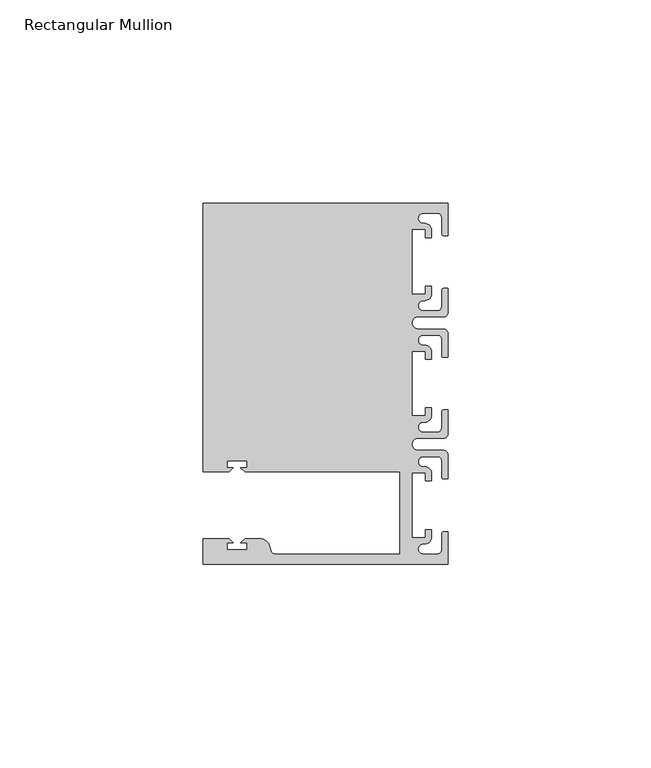
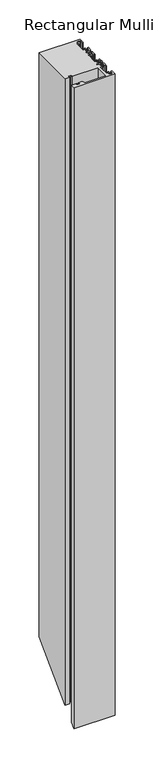
"""IFC4 building model written with IfcOpenShell, lengths in millimetres: member geometry, Rectangular Mullion."""

from ifc_helpers import new_model, si_unit, frame, origin, place, context, project, spatial, polyline, circle_curve, ellipse_curve, source, transform, mapped, element, save
from ifc_brep_helpers import plane_surface, cylinder_surface, revolved_surface, advanced_brep


def rectangular_mullion_d6c92e36(model_context):
    return source(origin(), model_context, "Body", "AdvancedBrep", [
        advanced_brep(
        [(0.0, -44.45, 0.0), (0.0, -36.4500318, 0.0), (-1.0, -36.4500318, 0.0), (-1.5, -36.9500318, 0.0), (-1.5, -40.95, 0.0), (-2.5, -41.95, 0.0), (-6.0499986, -41.95, 0.0), (-5.9027291, -39.4587029, 0.0), (-4.0000054, -37.7499972, 0.0), (-4.0000054, -35.9500318, 0.0), (-5.5, -35.9500318, 0.0), (-5.5, -37.9499972, 0.0), (-8.8585786, -37.9499972, 0.0), (-8.8585786, -21.9499956, 0.0), (-5.5, -21.9499956, 0.0), (-5.5, -23.9499611, 0.0), (-3.9999946, -23.9499611, 0.0), (-3.9999946, -22.0272972, 0.0), (-6.0499986, -20.4499956, 0.0), (-6.0499986, -17.9499929, 0.0), (-2.5, -17.9499929, 0.0), (-1.5, -18.9499929, 0.0), (-1.5, -22.9499611, 0.0), (-1.0, -23.4499611, 0.0), (0.0, -23.4499611, 0.0), (0.0, -17.4499929, 0.0), (-1.0, -16.4499929, 0.0), (-7.3, -16.4499929, 0.0), (-7.3046244, -13.45, 0.0), (-1.0, -13.45, 0.0), (0.0, -12.45, 0.0), (0.0, -6.4500354, 0.0), (-0.9999964, -6.4500354, 0.0), (-1.4999964, -6.9500354, 0.0), (-1.4999964, -10.95, 0.0), (-2.4999964, -11.95, 0.0), (-6.0499986, -11.95, 0.0), (-6.0499986, -9.4499972, 0.0), (-4.0000054, -7.7499972, 0.0), (-4.0000054, -5.9500318, 0.0), (-5.5, -5.9500318, 0.0), (-5.5, -7.9499972, 0.0), (-8.8, -7.9499972, 0.0), (-8.8, 7.9499972, 0.0), (-5.5, 7.9499972, 0.0), (-5.5, 5.9500318, 0.0), (-4.0000054, 5.9500318, 0.0), (-4.0000054, 7.7499972, 0.0), (-6.0499986, 9.4499972, 0.0), (-6.0499986, 11.95, 0.0), (-2.4999964, 11.95, 0.0), (-1.4999964, 10.95, 0.0), (-1.4999964, 6.9500354, 0.0), (-0.9999964, 6.4500354, 0.0), (0.0, 6.4500354, 0.0), (0.0, 12.45, 0.0), (-1.0, 13.45, 0.0), (-7.3046244, 13.45, 0.0), (-7.3, 16.4499929, 0.0), (-1.0, 16.4499929, 0.0), (0.0, 17.4499929, 0.0), (0.0, 23.4499611, 0.0), (-1.0, 23.4499611, 0.0), (-1.5, 22.9499611, 0.0), (-1.5, 18.9499929, 0.0), (-2.5, 17.9499929, 0.0), (-6.0499986, 17.9499929, 0.0), (-6.0499986, 20.4499956, 0.0), (-3.9999946, 22.0272972, 0.0), (-3.9999946, 23.9499611, 0.0), (-5.5, 23.9499611, 0.0), (-5.5, 21.9499956, 0.0), (-8.8585786, 21.9499956, 0.0), (-8.8585786, 37.9499972, 0.0), (-5.5, 37.9499972, 0.0), (-5.5, 35.9500318, 0.0), (-4.0000054, 35.9500318, 0.0), (-4.0000054, 37.7499972, 0.0), (-5.9027291, 39.4587029, 0.0), (-6.0499986, 41.95, 0.0), (-2.5, 41.95, 0.0), (-1.5, 40.95, 0.0), (-1.5, 36.9500318, 0.0), (-1.0, 36.4500318, 0.0), (0.0, 36.4500318, 0.0), (0.0, 44.45, 0.0), (-60.325, 44.45, 0.0), (-60.325, -21.749999, 0.0), (-53.8507562, -21.749999, 0.0), (-52.8507405, -20.7499834, 0.0), (-54.4250134, -20.7499834, 0.0), (-54.4250134, -18.949936, 0.0), (-49.4250186, -18.949936, 0.0), (-49.4250186, -20.7499834, 0.0), (-50.999256, -20.7499834, 0.0), (-49.9992434, -21.7499959, 0.0), (-11.8, -21.7499959, 0.0), (-11.8, -41.95, 0.0), (-42.6099329, -41.95, 0.0), (-43.5758588, -41.2088192, 0.0), (-43.8989707, -40.002949, 0.0), (-46.3137853, -38.1499966, 0.0), (-49.9992503, -38.1499966, 0.0), (-50.999256, -39.1500023, 0.0), (-49.4249831, -39.1500023, 0.0), (-49.4249831, -40.9498819, 0.0), (-54.4249778, -40.9498819, 0.0), (-54.4249778, -39.1500023, 0.0), (-52.8507405, -39.1500023, 0.0), (-53.8507531, -38.1499897, 0.0), (-60.3249977, -38.1499897, 0.0), (-60.3249977, -44.45, 0.0), (0.0, -44.45, -996.95), (0.0, -36.4500318, -988.9500318), (-1.0, -36.4500318, -988.9500318), (-1.5, -36.9500318, -989.4500318), (-1.5, -40.95, -993.45), (-2.5, -41.95, -994.45), (-6.0499986, -41.95, -994.45), (-5.9027291, -39.4587029, -991.9587029), (-4.0000054, -37.7499972, -990.2499972), (-4.0000054, -35.9500318, -988.4500318), (-5.5, -35.9500318, -988.4500318), (-5.5, -37.9499972, -990.4499972), (-8.8585786, -37.9499972, -990.4499972), (-8.8585786, -21.9499956, -974.4499956), (-5.5, -21.9499956, -974.4499956), (-5.5, -23.9499611, -976.4499611), (-3.9999946, -23.9499611, -976.4499611), (-3.9999946, -22.0272972, -974.5272972), (-6.0499986, -20.4499956, -972.9499956), (-6.0499986, -17.9499929, -970.4499929), (-2.5, -17.9499929, -970.4499929), (-1.5, -18.9499929, -971.4499929), (-1.5, -22.9499611, -975.4499611), (-1.0, -23.4499611, -975.9499611), (0.0, -23.4499611, -975.9499611), (0.0, -17.4499929, -969.9499929), (-1.0, -16.4499929, -968.9499929), (-7.3, -16.4499929, -968.9499929), (-7.3046244, -13.45, -965.95), (-1.0, -13.45, -965.95), (0.0, -12.45, -964.95), (0.0, -6.4500354, -958.9500354), (-0.9999964, -6.4500354, -958.9500354), (-1.4999964, -6.9500354, -959.4500354), (-1.4999964, -10.95, -963.45), (-2.4999964, -11.95, -964.45), (-6.0499986, -11.95, -964.45), (-6.0499986, -9.4499972, -961.9499972), (-4.0000054, -7.7499972, -960.2499972), (-4.0000054, -5.9500318, -958.4500318), (-5.5, -5.9500318, -958.4500318), (-5.5, -7.9499972, -960.4499972), (-8.8, -7.9499972, -960.4499972), (-8.8, 7.9499972, -944.5500028), (-5.5, 7.9499972, -944.5500028), (-5.5, 5.9500318, -946.5499682), (-4.0000054, 5.9500318, -946.5499682), (-4.0000054, 7.7499972, -944.7500028), (-6.0499986, 9.4499972, -943.0500028), (-6.0499986, 11.95, -940.55), (-2.4999964, 11.95, -940.55), (-1.4999964, 10.95, -941.55), (-1.4999964, 6.9500354, -945.5499646), (-0.9999964, 6.4500354, -946.0499646), (0.0, 6.4500354, -946.0499646), (0.0, 12.45, -940.05), (-1.0, 13.45, -939.05), (-7.3046244, 13.45, -939.05), (-7.3, 16.4499929, -936.0500071), (-1.0, 16.4499929, -936.0500071), (0.0, 17.4499929, -935.0500071), (0.0, 23.4499611, -929.0500389), (-1.0, 23.4499611, -929.0500389), (-1.5, 22.9499611, -929.5500389), (-1.5, 18.9499929, -933.5500071), (-2.5, 17.9499929, -934.5500071), (-6.0499986, 17.9499929, -934.5500071), (-6.0499986, 20.4499956, -932.0500044), (-3.9999946, 22.0272972, -930.4727028), (-3.9999946, 23.9499611, -928.5500389), (-5.5, 23.9499611, -928.5500389), (-5.5, 21.9499956, -930.5500044), (-8.8585786, 21.9499956, -930.5500044), (-8.8585786, 37.9499972, -914.5500028), (-5.5, 37.9499972, -914.5500028), (-5.5, 35.9500318, -916.5499682), (-4.0000054, 35.9500318, -916.5499682), (-4.0000054, 37.7499972, -914.7500028), (-5.9027291, 39.4587029, -913.0412971), (-6.0499986, 41.95, -910.55), (-2.5, 41.95, -910.55), (-1.5, 40.95, -911.55), (-1.5, 36.9500318, -915.5499682), (-1.0, 36.4500318, -916.0499682), (0.0, 36.4500318, -916.0499682), (0.0, 44.45, -908.05), (-60.325, 44.45, -908.05), (-60.325, -21.749999, -974.249999), (-53.8507562, -21.749999, -974.249999), (-52.8507405, -20.7499834, -973.2499834), (-54.4250134, -20.7499834, -973.2499834), (-54.4250134, -18.949936, -971.449936), (-49.4250186, -18.949936, -971.449936), (-49.4250186, -20.7499834, -973.2499834), (-50.999256, -20.7499834, -973.2499834), (-49.9992434, -21.7499959, -974.2499959), (-11.8, -21.7499959, -974.2499959), (-11.8, -41.95, -994.45), (-42.6099329, -41.95, -994.4500001), (-43.5758588, -41.2088192, -993.7088192), (-43.8989707, -40.002949, -992.502949), (-46.3137853, -38.1499966, -990.6499966), (-49.9992503, -38.1499966, -990.6499966), (-50.999256, -39.1500023, -991.6500023), (-49.4249831, -39.1500023, -991.6500023), (-49.4249831, -40.9498819, -993.4498819), (-54.4249778, -40.9498819, -993.4498819), (-54.4249778, -39.1500023, -991.6500023), (-52.8507405, -39.1500023, -991.6500023), (-53.8507531, -38.1499897, -990.6499897), (-60.3249977, -38.1499897, -990.6499897), (-60.3249977, -44.45, -996.95)],
        [
            (0, 1),
            (1, 2),
            (2, 3, circle_curve(frame((-1.0, -36.9500318, 0.0), z_axis=(0.0, 0.0, 1.0), x_axis=(0.0, 1.0, 0.0)), 0.5)),
            (3, 4),
            (4, 5, circle_curve(frame((-2.5, -40.95, 0.0), z_axis=(0.0, 0.0, -1.0), x_axis=(0.0, 1.0, 0.0)), 1.0)),
            (5, 6),
            (6, 7, circle_curve(frame((-6.0499986, -40.6999986, 0.0), z_axis=(0.0, 0.0, -1.0), x_axis=(0.0, 1.0, 0.0)), 1.2500014)),
            (7, 8, circle_curve(frame((-5.7186029, -37.7499972, 0.0), z_axis=(0.0, 0.0, 1.0), x_axis=(1.0, 0.0, 0.0)), 1.7185975)),
            (8, 9),
            (9, 10),
            (10, 11),
            (11, 12),
            (12, 13),
            (13, 14),
            (14, 15),
            (15, 16),
            (16, 17),
            (17, 18, circle_curve(frame((-5.7543344, -22.1865598, 0.0), z_axis=(0.0, 0.0, 1.0), x_axis=(1.0, 0.0, 0.0)), 1.761554)),
            (18, 19, circle_curve(frame((-6.0499986, -19.1999942, 0.0), z_axis=(0.0, 0.0, -1.0), x_axis=(0.0, 1.0, 0.0)), 1.2500014)),
            (19, 20),
            (20, 21, circle_curve(frame((-2.5, -18.9499929, 0.0), z_axis=(0.0, 0.0, -1.0), x_axis=(0.0, 1.0, 0.0)), 1.0)),
            (21, 22),
            (22, 23, circle_curve(frame((-1.0, -22.9499611, 0.0), z_axis=(0.0, 0.0, 1.0), x_axis=(0.0, 1.0, 0.0)), 0.5)),
            (23, 24),
            (24, 25),
            (25, 26, circle_curve(frame((-1.0, -17.4499929, 0.0), z_axis=(0.0, 0.0, 1.0), x_axis=(0.0, 1.0, 0.0)), 1.0)),
            (26, 27),
            (27, 28, circle_curve(frame((-7.3, -14.9499929, 0.0), z_axis=(0.0, 0.0, -1.0), x_axis=(0.0, 1.0, 0.0)), 1.5)),
            (28, 29),
            (29, 30, circle_curve(frame((-1.0, -12.45, 0.0), z_axis=(0.0, 0.0, 1.0), x_axis=(0.0, 1.0, 0.0)), 1.0)),
            (30, 31),
            (31, 32),
            (32, 33, circle_curve(frame((-0.9999964, -6.9500354, 0.0), z_axis=(0.0, 0.0, 1.0), x_axis=(0.0, 1.0, 0.0)), 0.5)),
            (33, 34),
            (34, 35, circle_curve(frame((-2.4999964, -10.95, 0.0), z_axis=(0.0, 0.0, -1.0), x_axis=(0.0, 1.0, 0.0)), 1.0)),
            (35, 36),
            (36, 37, circle_curve(frame((-6.0499986, -10.6999986, 0.0), z_axis=(0.0, 0.0, -1.0), x_axis=(0.0, 1.0, 0.0)), 1.2500014)),
            (37, 38, circle_curve(frame((-5.7298824, -7.7499972, 0.0), z_axis=(0.0, 0.0, 1.0), x_axis=(1.0, 0.0, 0.0)), 1.729877)),
            (38, 39),
            (39, 40),
            (40, 41),
            (41, 42),
            (42, 43),
            (43, 44),
            (44, 45),
            (45, 46),
            (46, 47),
            (47, 48, circle_curve(frame((-5.7298824, 7.7499972, 0.0), z_axis=(0.0, 0.0, 1.0), x_axis=(1.0, 0.0, 0.0)), 1.729877)),
            (48, 49, circle_curve(frame((-6.0499986, 10.6999986, 0.0), z_axis=(0.0, 0.0, -1.0), x_axis=(0.0, -1.0, 0.0)), 1.2500014)),
            (49, 50),
            (50, 51, circle_curve(frame((-2.4999964, 10.95, 0.0), z_axis=(0.0, 0.0, -1.0), x_axis=(0.0, -1.0, 0.0)), 1.0)),
            (51, 52),
            (52, 53, circle_curve(frame((-0.9999964, 6.9500354, 0.0), z_axis=(0.0, 0.0, 1.0), x_axis=(0.0, -1.0, 0.0)), 0.5)),
            (53, 54),
            (54, 55),
            (55, 56, circle_curve(frame((-1.0, 12.45, 0.0), z_axis=(0.0, 0.0, 1.0), x_axis=(0.0, -1.0, 0.0)), 1.0)),
            (56, 57),
            (57, 58, circle_curve(frame((-7.3, 14.9499929, 0.0), z_axis=(0.0, 0.0, -1.0), x_axis=(0.0, -1.0, 0.0)), 1.5)),
            (58, 59),
            (59, 60, circle_curve(frame((-1.0, 17.4499929, 0.0), z_axis=(0.0, 0.0, 1.0), x_axis=(0.0, -1.0, 0.0)), 1.0)),
            (60, 61),
            (61, 62),
            (62, 63, circle_curve(frame((-1.0, 22.9499611, 0.0), z_axis=(0.0, 0.0, 1.0), x_axis=(0.0, -1.0, 0.0)), 0.5)),
            (63, 64),
            (64, 65, circle_curve(frame((-2.5, 18.9499929, 0.0), z_axis=(0.0, 0.0, -1.0), x_axis=(0.0, -1.0, 0.0)), 1.0)),
            (65, 66),
            (66, 67, circle_curve(frame((-6.0499986, 19.1999942, 0.0), z_axis=(0.0, 0.0, -1.0), x_axis=(0.0, -1.0, 0.0)), 1.2500014)),
            (67, 68, circle_curve(frame((-5.7543344, 22.1865598, 0.0), z_axis=(0.0, 0.0, 1.0), x_axis=(1.0, 0.0, 0.0)), 1.761554)),
            (68, 69),
            (69, 70),
            (70, 71),
            (71, 72),
            (72, 73),
            (73, 74),
            (74, 75),
            (75, 76),
            (76, 77),
            (77, 78, circle_curve(frame((-5.7186029, 37.7499972, 0.0), z_axis=(0.0, 0.0, 1.0), x_axis=(1.0, 0.0, 0.0)), 1.7185975)),
            (78, 79, circle_curve(frame((-6.0499986, 40.6999986, 0.0), z_axis=(0.0, 0.0, -1.0), x_axis=(0.0, -1.0, 0.0)), 1.2500014)),
            (79, 80),
            (80, 81, circle_curve(frame((-2.5, 40.95, 0.0), z_axis=(0.0, 0.0, -1.0), x_axis=(0.0, -1.0, 0.0)), 1.0)),
            (81, 82),
            (82, 83, circle_curve(frame((-1.0, 36.9500318, 0.0), z_axis=(0.0, 0.0, 1.0), x_axis=(0.0, -1.0, 0.0)), 0.5)),
            (83, 84),
            (84, 85),
            (85, 86),
            (86, 87),
            (87, 88),
            (88, 89),
            (89, 90),
            (90, 91),
            (91, 92),
            (92, 93),
            (93, 94),
            (94, 95),
            (95, 96),
            (96, 97),
            (97, 98),
            (98, 99, circle_curve(frame((-42.6099329, -40.9500001, 0.0), z_axis=(0.0, 0.0, -1.0), x_axis=(0.0, 1.0, 0.0)), 1.0)),
            (99, 100),
            (100, 101, circle_curve(frame((-46.3137853, -40.6499966, 0.0), z_axis=(0.0, 0.0, 1.0), x_axis=(0.0, 1.0, 0.0)), 2.5)),
            (101, 102),
            (102, 103),
            (103, 104),
            (104, 105),
            (105, 106),
            (106, 107),
            (107, 108),
            (108, 109),
            (109, 110),
            (110, 111),
            (111, 0),
            (0, 112),
            (112, 113),
            (113, 1),
            (113, 114),
            (114, 2),
            (114, 115, ellipse_curve(frame((-1.0, -36.9500318, -989.4500318), z_axis=(0.0, -0.7071067811865476, 0.7071067811865476), x_axis=(0.0, 0.7071067811865476, 0.7071067811865474)), 0.7071068, 0.5)),
            (115, 3),
            (115, 116),
            (116, 4),
            (116, 117, ellipse_curve(frame((-2.5, -40.95, -993.45), z_axis=(0.0, 0.7071067811865476, -0.7071067811865476), x_axis=(0.0, -0.7071067811865476, -0.7071067811865474)), 1.4142136, 1.0)),
            (117, 5),
            (117, 118),
            (118, 6),
            (118, 119, ellipse_curve(frame((-6.0499986, -40.6999986, -993.1999986), z_axis=(0.0, 0.7071067811865476, -0.7071067811865476), x_axis=(0.0, -0.7071067811865476, -0.7071067811865474)), 1.7677689, 1.2500014)),
            (119, 7),
            (119, 120, ellipse_curve(frame((-5.7186029, -37.7499972, -990.2499972), z_axis=(0.0, -0.7071067811865476, 0.7071067811865476), x_axis=(0.0, 0.7071067811865476, 0.7071067811865474)), 2.4304639, 1.7185975)),
            (120, 8),
            (120, 121),
            (121, 9),
            (121, 122),
            (122, 10),
            (122, 123),
            (123, 11),
            (123, 124),
            (124, 12),
            (124, 125),
            (125, 13),
            (125, 126),
            (126, 14),
            (126, 127),
            (127, 15),
            (127, 128),
            (128, 16),
            (128, 129),
            (129, 17),
            (129, 130, ellipse_curve(frame((-5.7543344, -22.1865598, -974.6865598), z_axis=(0.0, -0.7071067811865476, 0.7071067811865476), x_axis=(0.0, 0.7071067811865476, 0.7071067811865474)), 2.4912135, 1.761554)),
            (130, 18),
            (130, 131, ellipse_curve(frame((-6.0499986, -19.1999942, -971.6999942), z_axis=(0.0, 0.7071067811865476, -0.7071067811865476), x_axis=(0.0, -0.7071067811865476, -0.7071067811865474)), 1.7677689, 1.2500014)),
            (131, 19),
            (131, 132),
            (132, 20),
            (132, 133, ellipse_curve(frame((-2.5, -18.9499929, -971.4499929), z_axis=(0.0, 0.7071067811865476, -0.7071067811865476), x_axis=(0.0, -0.7071067811865476, -0.7071067811865474)), 1.4142136, 1.0)),
            (133, 21),
            (133, 134),
            (134, 22),
            (134, 135, ellipse_curve(frame((-1.0, -22.9499611, -975.4499611), z_axis=(0.0, -0.7071067811865476, 0.7071067811865476), x_axis=(0.0, 0.7071067811865476, 0.7071067811865474)), 0.7071068, 0.5)),
            (135, 23),
            (135, 136),
            (136, 24),
            (136, 137),
            (137, 25),
            (137, 138, ellipse_curve(frame((-1.0, -17.4499929, -969.9499929), z_axis=(0.0, -0.7071067811865476, 0.7071067811865476), x_axis=(0.0, 0.7071067811865476, 0.7071067811865474)), 1.4142136, 1.0)),
            (138, 26),
            (138, 139),
            (139, 27),
            (139, 140, ellipse_curve(frame((-7.3, -14.9499929, -967.4499929), z_axis=(0.0, 0.7071067811865476, -0.7071067811865476), x_axis=(0.0, -0.7071067811865476, -0.7071067811865474)), 2.1213203, 1.5)),
            (140, 28),
            (140, 141),
            (141, 29),
            (141, 142, ellipse_curve(frame((-1.0, -12.45, -964.95), z_axis=(0.0, -0.7071067811865476, 0.7071067811865476), x_axis=(0.0, 0.7071067811865476, 0.7071067811865474)), 1.4142136, 1.0)),
            (142, 30),
            (142, 143),
            (143, 31),
            (143, 144),
            (144, 32),
            (144, 145, ellipse_curve(frame((-0.9999964, -6.9500354, -959.4500354), z_axis=(0.0, -0.7071067811865476, 0.7071067811865476), x_axis=(0.0, 0.7071067811865476, 0.7071067811865474)), 0.7071068, 0.5)),
            (145, 33),
            (145, 146),
            (146, 34),
            (146, 147, ellipse_curve(frame((-2.4999964, -10.95, -963.45), z_axis=(0.0, 0.7071067811865476, -0.7071067811865476), x_axis=(0.0, -0.7071067811865476, -0.7071067811865474)), 1.4142136, 1.0)),
            (147, 35),
            (147, 148),
            (148, 36),
            (148, 149, ellipse_curve(frame((-6.0499986, -10.6999986, -963.1999986), z_axis=(0.0, 0.7071067811865476, -0.7071067811865476), x_axis=(0.0, -0.7071067811865476, -0.7071067811865474)), 1.7677689, 1.2500014)),
            (149, 37),
            (149, 150, ellipse_curve(frame((-5.7298824, -7.7499972, -960.2499972), z_axis=(0.0, -0.7071067811865476, 0.7071067811865476), x_axis=(0.0, 0.7071067811865476, 0.7071067811865474)), 2.4464155, 1.729877)),
            (150, 38),
            (150, 151),
            (151, 39),
            (151, 152),
            (152, 40),
            (152, 153),
            (153, 41),
            (153, 154),
            (154, 42),
            (154, 155),
            (155, 43),
            (155, 156),
            (156, 44),
            (156, 157),
            (157, 45),
            (157, 158),
            (158, 46),
            (158, 159),
            (159, 47),
            (159, 160, ellipse_curve(frame((-5.7298824, 7.7499972, -944.7500028), z_axis=(0.0, -0.7071067811865476, 0.7071067811865476), x_axis=(0.0, 0.7071067811865476, 0.7071067811865474)), 2.4464155, 1.729877)),
            (160, 48),
            (160, 161, ellipse_curve(frame((-6.0499986, 10.6999986, -941.8000014), z_axis=(0.0, 0.7071067811865476, -0.7071067811865476), x_axis=(0.0, -0.7071067811865476, -0.7071067811865474)), 1.7677689, 1.2500014)),
            (161, 49),
            (161, 162),
            (162, 50),
            (162, 163, ellipse_curve(frame((-2.4999964, 10.95, -941.55), z_axis=(0.0, 0.7071067811865476, -0.7071067811865476), x_axis=(0.0, -0.7071067811865476, -0.7071067811865474)), 1.4142136, 1.0)),
            (163, 51),
            (163, 164),
            (164, 52),
            (164, 165, ellipse_curve(frame((-0.9999964, 6.9500354, -945.5499646), z_axis=(0.0, -0.7071067811865476, 0.7071067811865476), x_axis=(0.0, 0.7071067811865476, 0.7071067811865474)), 0.7071068, 0.5)),
            (165, 53),
            (165, 166),
            (166, 54),
            (166, 167),
            (167, 55),
            (167, 168, ellipse_curve(frame((-1.0, 12.45, -940.05), z_axis=(0.0, -0.7071067811865476, 0.7071067811865476), x_axis=(0.0, 0.7071067811865476, 0.7071067811865474)), 1.4142136, 1.0)),
            (168, 56),
            (168, 169),
            (169, 57),
            (169, 170, ellipse_curve(frame((-7.3, 14.9499929, -937.5500071), z_axis=(0.0, 0.7071067811865476, -0.7071067811865476), x_axis=(0.0, -0.7071067811865476, -0.7071067811865474)), 2.1213203, 1.5)),
            (170, 58),
            (170, 171),
            (171, 59),
            (171, 172, ellipse_curve(frame((-1.0, 17.4499929, -935.0500071), z_axis=(0.0, -0.7071067811865476, 0.7071067811865476), x_axis=(0.0, 0.7071067811865476, 0.7071067811865474)), 1.4142136, 1.0)),
            (172, 60),
            (172, 173),
            (173, 61),
            (173, 174),
            (174, 62),
            (174, 175, ellipse_curve(frame((-1.0, 22.9499611, -929.5500389), z_axis=(0.0, -0.7071067811865476, 0.7071067811865476), x_axis=(0.0, 0.7071067811865476, 0.7071067811865474)), 0.7071068, 0.5)),
            (175, 63),
            (175, 176),
            (176, 64),
            (176, 177, ellipse_curve(frame((-2.5, 18.9499929, -933.5500071), z_axis=(0.0, 0.7071067811865476, -0.7071067811865476), x_axis=(0.0, -0.7071067811865476, -0.7071067811865474)), 1.4142136, 1.0)),
            (177, 65),
            (177, 178),
            (178, 66),
            (178, 179, ellipse_curve(frame((-6.0499986, 19.1999942, -933.3000058), z_axis=(0.0, 0.7071067811865476, -0.7071067811865476), x_axis=(0.0, -0.7071067811865476, -0.7071067811865474)), 1.7677689, 1.2500014)),
            (179, 67),
            (179, 180, ellipse_curve(frame((-5.7543344, 22.1865598, -930.3134402), z_axis=(0.0, -0.7071067811865476, 0.7071067811865476), x_axis=(0.0, 0.7071067811865476, 0.7071067811865474)), 2.4912135, 1.761554)),
            (180, 68),
            (180, 181),
            (181, 69),
            (181, 182),
            (182, 70),
            (182, 183),
            (183, 71),
            (183, 184),
            (184, 72),
            (184, 185),
            (185, 73),
            (185, 186),
            (186, 74),
            (186, 187),
            (187, 75),
            (187, 188),
            (188, 76),
            (188, 189),
            (189, 77),
            (189, 190, ellipse_curve(frame((-5.7186029, 37.7499972, -914.7500028), z_axis=(0.0, -0.7071067811865476, 0.7071067811865476), x_axis=(0.0, 0.7071067811865476, 0.7071067811865474)), 2.4304639, 1.7185975)),
            (190, 78),
            (190, 191, ellipse_curve(frame((-6.0499986, 40.6999986, -911.8000014), z_axis=(0.0, 0.7071067811865476, -0.7071067811865476), x_axis=(0.0, -0.7071067811865476, -0.7071067811865474)), 1.7677689, 1.2500014)),
            (191, 79),
            (191, 192),
            (192, 80),
            (192, 193, ellipse_curve(frame((-2.5, 40.95, -911.55), z_axis=(0.0, 0.7071067811865476, -0.7071067811865476), x_axis=(0.0, -0.7071067811865476, -0.7071067811865474)), 1.4142136, 1.0)),
            (193, 81),
            (193, 194),
            (194, 82),
            (194, 195, ellipse_curve(frame((-1.0, 36.9500318, -915.5499682), z_axis=(0.0, -0.7071067811865476, 0.7071067811865476), x_axis=(0.0, 0.7071067811865476, 0.7071067811865474)), 0.7071068, 0.5)),
            (195, 83),
            (195, 196),
            (196, 84),
            (196, 197),
            (197, 85),
            (197, 198),
            (198, 86),
            (198, 199),
            (199, 87),
            (199, 200),
            (200, 88),
            (200, 201),
            (201, 89),
            (201, 202),
            (202, 90),
            (202, 203),
            (203, 91),
            (203, 204),
            (204, 92),
            (204, 205),
            (205, 93),
            (205, 206),
            (206, 94),
            (206, 207),
            (207, 95),
            (207, 208),
            (208, 96),
            (208, 209),
            (209, 97),
            (209, 210),
            (210, 98),
            (210, 211, ellipse_curve(frame((-42.6099329, -40.9500001, -993.4500001), z_axis=(0.0, 0.7071067811865476, -0.7071067811865476), x_axis=(0.0, -0.7071067811865476, -0.7071067811865474)), 1.4142136, 1.0)),
            (211, 99),
            (211, 212),
            (212, 100),
            (212, 213, ellipse_curve(frame((-46.3137853, -40.6499966, -993.1499966), z_axis=(0.0, -0.7071067811865476, 0.7071067811865476), x_axis=(0.0, 0.7071067811865476, 0.7071067811865474)), 3.5355339, 2.5)),
            (213, 101),
            (213, 214),
            (214, 102),
            (214, 215),
            (215, 103),
            (215, 216),
            (216, 104),
            (216, 217),
            (217, 105),
            (217, 218),
            (218, 106),
            (218, 219),
            (219, 107),
            (219, 220),
            (220, 108),
            (220, 221),
            (221, 109),
            (221, 222),
            (222, 110),
            (222, 223),
            (223, 111),
            (223, 112),
        ],
        [
            plane_surface(frame((0.0, -74.9326906, 0.0), z_axis=(0.0, 0.0, 1.0), x_axis=(-1.0, 0.0, 0.0))),
            plane_surface(frame((0.0, -44.45, 0.0), z_axis=(1.0, 0.0, 0.0), x_axis=(0.0, 0.0, -1.0))),
            plane_surface(frame((0.0, -36.4500318, 0.0), z_axis=(0.0, 1.0, 0.0), x_axis=(0.0, 0.0, -1.0))),
            cylinder_surface(frame((-1.0, -36.9500318, 0.0), z_axis=(0.0, 0.0, 1.0), x_axis=(0.0, 1.0, 0.0)), 0.5),
            plane_surface(frame((-1.5, -36.9500318, 0.0), z_axis=(-1.0, 0.0, 0.0), x_axis=(0.0, 0.0, -1.0))),
            revolved_surface(polyline([(-2.5, -39.95, -994.4500000266063), (-2.5, -39.95, 0.0)]), (-2.5, -40.95, 0.0), (0.0, 0.0, -1.0)),
            plane_surface(frame((-2.5, -41.95, 0.0), z_axis=(0.0, 1.0, 0.0), x_axis=(0.0, 0.0, -1.0))),
            revolved_surface(polyline([(-6.0499986, -39.4499972, -994.45), (-6.0499986, -39.4499972, 0.0)]), (-6.0499986, -40.6999986, 0.0), (0.0, 0.0, -1.0)),
            cylinder_surface(frame((-5.7186029, -37.7499972, 0.0), z_axis=(0.0, 0.0, 1.0), x_axis=(1.0, 0.0, 0.0)), 1.7185975),
            plane_surface(frame((-4.0000054, -37.7499972, 0.0), z_axis=(1.0, 0.0, 0.0), x_axis=(0.0, 0.0, -1.0))),
            plane_surface(frame((-4.0000054, -35.9500318, 0.0), z_axis=(0.0, 1.0, 0.0), x_axis=(0.0, 0.0, -1.0))),
            plane_surface(frame((-5.5, -35.9500318, 0.0), z_axis=(-1.0, 0.0, 0.0), x_axis=(0.0, 0.0, -1.0))),
            plane_surface(frame((-5.5, -37.9499972, 0.0), z_axis=(0.0, 1.0, 0.0), x_axis=(0.0, 0.0, -1.0))),
            plane_surface(frame((-8.8585786, -37.9499972, 0.0), z_axis=(1.0, 0.0, 0.0), x_axis=(0.0, 0.0, -1.0))),
            plane_surface(frame((-8.8585786, -21.9499956, 0.0), z_axis=(0.0, -1.0, 0.0), x_axis=(0.0, 0.0, -1.0))),
            plane_surface(frame((-5.5, -21.9499956, 0.0), z_axis=(-1.0, 0.0, 0.0), x_axis=(0.0, 0.0, -1.0))),
            plane_surface(frame((-5.5, -23.9499611, 0.0), z_axis=(0.0, -1.0, 0.0), x_axis=(0.0, 0.0, -1.0))),
            plane_surface(frame((-3.9999946, -23.9499611, 0.0), z_axis=(1.0, 0.0, 0.0), x_axis=(0.0, 0.0, -1.0))),
            cylinder_surface(frame((-5.7543344, -22.1865598, 0.0), z_axis=(0.0, 0.0, 1.0), x_axis=(1.0, 0.0, 0.0)), 1.761554),
            revolved_surface(polyline([(-6.0499986, -17.9499928, -972.9499956), (-6.0499986, -17.9499928, 0.0)]), (-6.0499986, -19.1999942, 0.0), (0.0, 0.0, -1.0)),
            plane_surface(frame((-6.0499986, -17.9499929, 0.0), z_axis=(0.0, -1.0, 0.0), x_axis=(0.0, 0.0, -1.0))),
            revolved_surface(polyline([(-2.5, -17.9499929, -972.4499929266062), (-2.5, -17.9499929, 0.0)]), (-2.5, -18.9499929, 0.0), (0.0, 0.0, -1.0)),
            plane_surface(frame((-1.5, -18.9499929, 0.0), z_axis=(-1.0, 0.0, 0.0), x_axis=(0.0, 0.0, -1.0))),
            cylinder_surface(frame((-1.0, -22.9499611, 0.0), z_axis=(0.0, 0.0, 1.0), x_axis=(0.0, 1.0, 0.0)), 0.5),
            plane_surface(frame((-1.0, -23.4499611, 0.0), z_axis=(0.0, -1.0, 0.0), x_axis=(0.0, 0.0, -1.0))),
            plane_surface(frame((0.0, -23.4499611, 0.0), z_axis=(1.0, 0.0, 0.0), x_axis=(0.0, 0.0, -1.0))),
            cylinder_surface(frame((-1.0, -17.4499929, 0.0), z_axis=(0.0, 0.0, 1.0), x_axis=(0.0, 1.0, 0.0)), 1.0),
            plane_surface(frame((-1.0, -16.4499929, 0.0), z_axis=(0.0, 1.0, 0.0), x_axis=(0.0, 0.0, -1.0))),
            revolved_surface(polyline([(-7.3, -13.4499929, -968.9499929), (-7.3, -13.4499929, 0.0)]), (-7.3, -14.9499929, 0.0), (0.0, 0.0, -1.0)),
            plane_surface(frame((-7.3046244, -13.45, 0.0), z_axis=(0.0, -1.0, 0.0), x_axis=(0.0, 0.0, -1.0))),
            cylinder_surface(frame((-1.0, -12.45, 0.0), z_axis=(0.0, 0.0, 1.0), x_axis=(0.0, 1.0, 0.0)), 1.0),
            plane_surface(frame((0.0, -12.45, 0.0), z_axis=(1.0, 0.0, 0.0), x_axis=(0.0, 0.0, -1.0))),
            plane_surface(frame((0.0, -6.4500354, 0.0), z_axis=(0.0, 1.0, 0.0), x_axis=(0.0, 0.0, -1.0))),
            cylinder_surface(frame((-0.9999964, -6.9500354, 0.0), z_axis=(0.0, 0.0, 1.0), x_axis=(0.0, 1.0, 0.0)), 0.5),
            plane_surface(frame((-1.4999964, -6.9500354, 0.0), z_axis=(-1.0, 0.0, 0.0), x_axis=(0.0, 0.0, -1.0))),
            revolved_surface(polyline([(-2.4999964, -9.95, -964.4500000266063), (-2.4999964, -9.95, 0.0)]), (-2.4999964, -10.95, 0.0), (0.0, 0.0, -1.0)),
            plane_surface(frame((-2.4999964, -11.95, 0.0), z_axis=(0.0, 1.0, 0.0), x_axis=(0.0, 0.0, -1.0))),
            revolved_surface(polyline([(-6.0499986, -9.4499972, -964.45), (-6.0499986, -9.4499972, 0.0)]), (-6.0499986, -10.6999986, 0.0), (0.0, 0.0, -1.0)),
            cylinder_surface(frame((-5.7298824, -7.7499972, 0.0), z_axis=(0.0, 0.0, 1.0), x_axis=(1.0, 0.0, 0.0)), 1.729877),
            plane_surface(frame((-4.0000054, -7.7499972, 0.0), z_axis=(1.0, 0.0, 0.0), x_axis=(0.0, 0.0, -1.0))),
            plane_surface(frame((-4.0000054, -5.9500318, 0.0), z_axis=(0.0, 1.0, 0.0), x_axis=(0.0, 0.0, -1.0))),
            plane_surface(frame((-5.5, -5.9500318, 0.0), z_axis=(-1.0, 0.0, 0.0), x_axis=(0.0, 0.0, -1.0))),
            plane_surface(frame((-5.5, -7.9499972, 0.0), z_axis=(0.0, 1.0, 0.0), x_axis=(0.0, 0.0, -1.0))),
            plane_surface(frame((-8.8, -7.9499972, 0.0), z_axis=(1.0, 0.0, 0.0), x_axis=(0.0, 0.0, -1.0))),
            plane_surface(frame((-8.8, 7.9499972, 0.0), z_axis=(0.0, -1.0, 0.0), x_axis=(0.0, 0.0, -1.0))),
            plane_surface(frame((-5.5, 7.9499972, 0.0), z_axis=(-1.0, 0.0, 0.0), x_axis=(0.0, 0.0, -1.0))),
            plane_surface(frame((-5.5, 5.9500318, 0.0), z_axis=(0.0, -1.0, 0.0), x_axis=(0.0, 0.0, -1.0))),
            plane_surface(frame((-4.0000054, 5.9500318, 0.0), z_axis=(1.0, 0.0, 0.0), x_axis=(0.0, 0.0, -1.0))),
            cylinder_surface(frame((-5.7298824, 7.7499972, 0.0), z_axis=(0.0, 0.0, 1.0), x_axis=(1.0, 0.0, 0.0)), 1.729877),
            revolved_surface(polyline([(-6.0499986, 9.4499972, -943.0500028), (-6.0499986, 9.4499972, 0.0)]), (-6.0499986, 10.6999986, 0.0), (0.0, 0.0, -1.0)),
            plane_surface(frame((-6.0499986, 11.95, 0.0), z_axis=(0.0, -1.0, 0.0), x_axis=(0.0, 0.0, -1.0))),
            revolved_surface(polyline([(-2.4999964, 9.95, -942.5500000266062), (-2.4999964, 9.95, 0.0)]), (-2.4999964, 10.95, 0.0), (0.0, 0.0, -1.0)),
            plane_surface(frame((-1.4999964, 10.95, 0.0), z_axis=(-1.0, 0.0, 0.0), x_axis=(0.0, 0.0, -1.0))),
            cylinder_surface(frame((-0.9999964, 6.9500354, 0.0), z_axis=(0.0, 0.0, 1.0), x_axis=(0.0, -1.0, 0.0)), 0.5),
            plane_surface(frame((-0.9999964, 6.4500354, 0.0), z_axis=(0.0, -1.0, 0.0), x_axis=(0.0, 0.0, -1.0))),
            plane_surface(frame((0.0, 6.4500354, 0.0), z_axis=(1.0, 0.0, 0.0), x_axis=(0.0, 0.0, -1.0))),
            cylinder_surface(frame((-1.0, 12.45, 0.0), z_axis=(0.0, 0.0, 1.0), x_axis=(0.0, -1.0, 0.0)), 1.0),
            plane_surface(frame((-1.0, 13.45, 0.0), z_axis=(0.0, 1.0, 0.0), x_axis=(0.0, 0.0, -1.0))),
            revolved_surface(polyline([(-7.3, 13.4499929, -939.0500070691987), (-7.3, 13.4499929, 0.0)]), (-7.3, 14.9499929, 0.0), (0.0, 0.0, -1.0)),
            plane_surface(frame((-7.3, 16.4499929, 0.0), z_axis=(0.0, -1.0, 0.0), x_axis=(0.0, 0.0, -1.0))),
            cylinder_surface(frame((-1.0, 17.4499929, 0.0), z_axis=(0.0, 0.0, 1.0), x_axis=(0.0, -1.0, 0.0)), 1.0),
            plane_surface(frame((0.0, 17.4499929, 0.0), z_axis=(1.0, 0.0, 0.0), x_axis=(0.0, 0.0, -1.0))),
            plane_surface(frame((0.0, 23.4499611, 0.0), z_axis=(0.0, 1.0, 0.0), x_axis=(0.0, 0.0, -1.0))),
            cylinder_surface(frame((-1.0, 22.9499611, 0.0), z_axis=(0.0, 0.0, 1.0), x_axis=(0.0, -1.0, 0.0)), 0.5),
            plane_surface(frame((-1.5, 22.9499611, 0.0), z_axis=(-1.0, 0.0, 0.0), x_axis=(0.0, 0.0, -1.0))),
            revolved_surface(polyline([(-2.5, 17.9499929, -934.5500071266063), (-2.5, 17.9499929, 0.0)]), (-2.5, 18.9499929, 0.0), (0.0, 0.0, -1.0)),
            plane_surface(frame((-2.5, 17.9499929, 0.0), z_axis=(0.0, 1.0, 0.0), x_axis=(0.0, 0.0, -1.0))),
            revolved_surface(polyline([(-6.0499986, 17.9499928, -934.5500071767607), (-6.0499986, 17.9499928, 0.0)]), (-6.0499986, 19.1999942, 0.0), (0.0, 0.0, -1.0)),
            cylinder_surface(frame((-5.7543344, 22.1865598, 0.0), z_axis=(0.0, 0.0, 1.0), x_axis=(1.0, 0.0, 0.0)), 1.761554),
            plane_surface(frame((-3.9999946, 22.0272972, 0.0), z_axis=(1.0, 0.0, 0.0), x_axis=(0.0, 0.0, -1.0))),
            plane_surface(frame((-3.9999946, 23.9499611, 0.0), z_axis=(0.0, 1.0, 0.0), x_axis=(0.0, 0.0, -1.0))),
            plane_surface(frame((-5.5, 23.9499611, 0.0), z_axis=(-1.0, 0.0, 0.0), x_axis=(0.0, 0.0, -1.0))),
            plane_surface(frame((-5.5, 21.9499956, 0.0), z_axis=(0.0, 1.0, 0.0), x_axis=(0.0, 0.0, -1.0))),
            plane_surface(frame((-8.8585786, 21.9499956, 0.0), z_axis=(1.0, 0.0, 0.0), x_axis=(0.0, 0.0, -1.0))),
            plane_surface(frame((-8.8585786, 37.9499972, 0.0), z_axis=(0.0, -1.0, 0.0), x_axis=(0.0, 0.0, -1.0))),
            plane_surface(frame((-5.5, 37.9499972, 0.0), z_axis=(-1.0, 0.0, 0.0), x_axis=(0.0, 0.0, -1.0))),
            plane_surface(frame((-5.5, 35.9500318, 0.0), z_axis=(0.0, -1.0, 0.0), x_axis=(0.0, 0.0, -1.0))),
            plane_surface(frame((-4.0000054, 35.9500318, 0.0), z_axis=(1.0, 0.0, 0.0), x_axis=(0.0, 0.0, -1.0))),
            cylinder_surface(frame((-5.7186029, 37.7499972, 0.0), z_axis=(0.0, 0.0, 1.0), x_axis=(1.0, 0.0, 0.0)), 1.7185975),
            revolved_surface(polyline([(-6.0499986, 39.4499972, -913.0500027767607), (-6.0499986, 39.4499972, 0.0)]), (-6.0499986, 40.6999986, 0.0), (0.0, 0.0, -1.0)),
            plane_surface(frame((-6.0499986, 41.95, 0.0), z_axis=(0.0, -1.0, 0.0), x_axis=(0.0, 0.0, -1.0))),
            revolved_surface(polyline([(-2.5, 39.95, -912.5500000266062), (-2.5, 39.95, 0.0)]), (-2.5, 40.95, 0.0), (0.0, 0.0, -1.0)),
            plane_surface(frame((-1.5, 40.95, 0.0), z_axis=(-1.0, 0.0, 0.0), x_axis=(0.0, 0.0, -1.0))),
            cylinder_surface(frame((-1.0, 36.9500318, 0.0), z_axis=(0.0, 0.0, 1.0), x_axis=(0.0, -1.0, 0.0)), 0.5),
            plane_surface(frame((-1.0, 36.4500318, 0.0), z_axis=(0.0, -1.0, 0.0), x_axis=(0.0, 0.0, -1.0))),
            plane_surface(frame((0.0, 36.4500318, 0.0), z_axis=(1.0, 0.0, 0.0), x_axis=(0.0, 0.0, -1.0))),
            plane_surface(frame((0.0, 44.45, 0.0), z_axis=(0.0, 1.0, 0.0), x_axis=(0.0, 0.0, -1.0))),
            plane_surface(frame((-60.325, 44.45, 0.0), z_axis=(-1.0, 0.0, 0.0), x_axis=(0.0, 0.0, -1.0))),
            plane_surface(frame((-60.325, -21.749999, 0.0), z_axis=(0.0, -1.0, 0.0), x_axis=(0.0, 0.0, -1.0))),
            plane_surface(frame((-53.8507562, -21.749999, 0.0), z_axis=(0.7071067811865472, -0.7071067811865479, 0.0), x_axis=(0.0, 0.0, -1.0))),
            plane_surface(frame((-52.8507405, -20.7499834, 0.0), z_axis=(0.0, 1.0, 0.0), x_axis=(0.0, 0.0, -1.0))),
            plane_surface(frame((-54.4250134, -20.7499834, 0.0), z_axis=(1.0, 0.0, 0.0), x_axis=(0.0, 0.0, -1.0))),
            plane_surface(frame((-54.4250134, -18.949936, 0.0), z_axis=(0.0, -1.0, 0.0), x_axis=(0.0, 0.0, -1.0))),
            plane_surface(frame((-49.4250186, -18.949936, 0.0), z_axis=(-1.0, 0.0, 0.0), x_axis=(0.0, 0.0, -1.0))),
            plane_surface(frame((-49.4250186, -20.7499834, 0.0), z_axis=(0.0, 1.0, 0.0), x_axis=(0.0, 0.0, -1.0))),
            plane_surface(frame((-50.999256, -20.7499834, 0.0), z_axis=(-0.7071067811865492, -0.7071067811865459, 0.0), x_axis=(0.0, 0.0, -1.0))),
            plane_surface(frame((-49.9992434, -21.7499959, 0.0), z_axis=(0.0, -1.0, 0.0), x_axis=(0.0, 0.0, -1.0))),
            plane_surface(frame((-11.8, -21.7499959, 0.0), z_axis=(-1.0, 0.0, 0.0), x_axis=(0.0, 0.0, -1.0))),
            plane_surface(frame((-11.8, -41.95, 0.0), z_axis=(0.0, 1.0, 0.0), x_axis=(0.0, 0.0, -1.0))),
            revolved_surface(polyline([(-42.6099329, -39.9500001, -994.4500001266063), (-42.6099329, -39.9500001, 0.0)]), (-42.6099329, -40.9500001, 0.0), (0.0, 0.0, -1.0)),
            plane_surface(frame((-43.5758588, -41.2088192, 0.0), z_axis=(0.965925826289163, 0.2588190451021675, 0.0), x_axis=(0.0, 0.0, -1.0))),
            cylinder_surface(frame((-46.3137853, -40.6499966, 0.0), z_axis=(0.0, 0.0, 1.0), x_axis=(0.0, 1.0, 0.0)), 2.5),
            plane_surface(frame((-46.3137853, -38.1499966, 0.0), z_axis=(0.0, 1.0, 0.0), x_axis=(0.0, 0.0, -1.0))),
            plane_surface(frame((-49.9992503, -38.1499966, 0.0), z_axis=(-0.7071067811865469, 0.7071067811865481, 0.0), x_axis=(0.0, 0.0, -1.0))),
            plane_surface(frame((-50.999256, -39.1500023, 0.0), z_axis=(0.0, -1.0, 0.0), x_axis=(0.0, 0.0, -1.0))),
            plane_surface(frame((-49.4249831, -39.1500023, 0.0), z_axis=(-1.0, 0.0, 0.0), x_axis=(0.0, 0.0, -1.0))),
            plane_surface(frame((-49.4249831, -40.9498819, 0.0), z_axis=(0.0, 1.0, 0.0), x_axis=(0.0, 0.0, -1.0))),
            plane_surface(frame((-54.4249778, -40.9498819, 0.0), z_axis=(1.0, 0.0, 0.0), x_axis=(0.0, 0.0, -1.0))),
            plane_surface(frame((-54.4249778, -39.1500023, 0.0), z_axis=(0.0, -1.0, 0.0), x_axis=(0.0, 0.0, -1.0))),
            plane_surface(frame((-52.8507405, -39.1500023, 0.0), z_axis=(0.7071067811865492, 0.7071067811865459, 0.0), x_axis=(0.0, 0.0, -1.0))),
            plane_surface(frame((-53.8507531, -38.1499897, 0.0), z_axis=(0.0, 1.0, 0.0), x_axis=(0.0, 0.0, -1.0))),
            plane_surface(frame((-60.3249977, -38.1499897, 0.0), z_axis=(-1.0, 0.0, 0.0), x_axis=(0.0, 0.0, -1.0))),
            plane_surface(frame((-60.3249977, -44.45, 0.0), z_axis=(0.0, -1.0, 0.0), x_axis=(0.0, 0.0, -1.0))),
            plane_surface(frame((-304.8, 0.0, -952.5), z_axis=(0.0, 0.7071067811865476, -0.7071067811865476), x_axis=(0.0, 0.7071067811865476, 0.7071067811865476))),
        ],
        [
            (0, [[1, 2, 3, 4, 5, 6, 7, 8, 9, 10, 11, 12, 13, 14, 15, 16, 17, 18, 19, 20, 21, 22, 23, 24, 25, 26, 27, 28, 29, 30, 31, 32, 33, 34, 35, 36, 37, 38, 39, 40, 41, 42, 43, 44, 45, 46, 47, 48, 49, 50, 51, 52, 53, 54, 55, 56, 57, 58, 59, 60, 61, 62, 63, 64, 65, 66, 67, 68, 69, 70, 71, 72, 73, 74, 75, 76, 77, 78, 79, 80, 81, 82, 83, 84, 85, 86, 87, 88, 89, 90, 91, 92, 93, 94, 95, 96, 97, 98, 99, 100, 101, 102, 103, 104, 105, 106, 107, 108, 109, 110, 111, 112]]),
            (1, [[-1, 113, 114, 115]]),
            (2, [[-2, -115, 116, 117]]),
            (3, [[-3, -117, 118, 119]]),
            (4, [[-4, -119, 120, 121]]),
            (5, [[-5, -121, 122, 123]]),
            (6, [[-6, -123, 124, 125]]),
            (7, [[-7, -125, 126, 127]]),
            (8, [[-8, -127, 128, 129]]),
            (9, [[-9, -129, 130, 131]]),
            (10, [[-10, -131, 132, 133]]),
            (11, [[-11, -133, 134, 135]]),
            (12, [[-12, -135, 136, 137]]),
            (13, [[-13, -137, 138, 139]]),
            (14, [[-14, -139, 140, 141]]),
            (15, [[-15, -141, 142, 143]]),
            (16, [[-16, -143, 144, 145]]),
            (17, [[-17, -145, 146, 147]]),
            (18, [[-18, -147, 148, 149]]),
            (19, [[-19, -149, 150, 151]]),
            (20, [[-20, -151, 152, 153]]),
            (21, [[-21, -153, 154, 155]]),
            (22, [[-22, -155, 156, 157]]),
            (23, [[-23, -157, 158, 159]]),
            (24, [[-24, -159, 160, 161]]),
            (25, [[-25, -161, 162, 163]]),
            (26, [[-26, -163, 164, 165]]),
            (27, [[-27, -165, 166, 167]]),
            (28, [[-28, -167, 168, 169]]),
            (29, [[-29, -169, 170, 171]]),
            (30, [[-30, -171, 172, 173]]),
            (31, [[-31, -173, 174, 175]]),
            (32, [[-32, -175, 176, 177]]),
            (33, [[-33, -177, 178, 179]]),
            (34, [[-34, -179, 180, 181]]),
            (35, [[-35, -181, 182, 183]]),
            (36, [[-36, -183, 184, 185]]),
            (37, [[-37, -185, 186, 187]]),
            (38, [[-38, -187, 188, 189]]),
            (39, [[-39, -189, 190, 191]]),
            (40, [[-40, -191, 192, 193]]),
            (41, [[-41, -193, 194, 195]]),
            (42, [[-42, -195, 196, 197]]),
            (43, [[-43, -197, 198, 199]]),
            (44, [[-44, -199, 200, 201]]),
            (45, [[-45, -201, 202, 203]]),
            (46, [[-46, -203, 204, 205]]),
            (47, [[-47, -205, 206, 207]]),
            (48, [[-48, -207, 208, 209]]),
            (49, [[-49, -209, 210, 211]]),
            (50, [[-50, -211, 212, 213]]),
            (51, [[-51, -213, 214, 215]]),
            (52, [[-52, -215, 216, 217]]),
            (53, [[-53, -217, 218, 219]]),
            (54, [[-54, -219, 220, 221]]),
            (55, [[-55, -221, 222, 223]]),
            (56, [[-56, -223, 224, 225]]),
            (57, [[-57, -225, 226, 227]]),
            (58, [[-58, -227, 228, 229]]),
            (59, [[-59, -229, 230, 231]]),
            (60, [[-60, -231, 232, 233]]),
            (61, [[-61, -233, 234, 235]]),
            (62, [[-62, -235, 236, 237]]),
            (63, [[-63, -237, 238, 239]]),
            (64, [[-64, -239, 240, 241]]),
            (65, [[-65, -241, 242, 243]]),
            (66, [[-66, -243, 244, 245]]),
            (67, [[-67, -245, 246, 247]]),
            (68, [[-68, -247, 248, 249]]),
            (69, [[-69, -249, 250, 251]]),
            (70, [[-70, -251, 252, 253]]),
            (71, [[-71, -253, 254, 255]]),
            (72, [[-72, -255, 256, 257]]),
            (73, [[-73, -257, 258, 259]]),
            (74, [[-74, -259, 260, 261]]),
            (75, [[-75, -261, 262, 263]]),
            (76, [[-76, -263, 264, 265]]),
            (77, [[-77, -265, 266, 267]]),
            (78, [[-78, -267, 268, 269]]),
            (79, [[-79, -269, 270, 271]]),
            (80, [[-80, -271, 272, 273]]),
            (81, [[-81, -273, 274, 275]]),
            (82, [[-82, -275, 276, 277]]),
            (83, [[-83, -277, 278, 279]]),
            (84, [[-84, -279, 280, 281]]),
            (85, [[-85, -281, 282, 283]]),
            (86, [[-86, -283, 284, 285]]),
            (87, [[-87, -285, 286, 287]]),
            (88, [[-88, -287, 288, 289]]),
            (89, [[-89, -289, 290, 291]]),
            (90, [[-90, -291, 292, 293]]),
            (91, [[-91, -293, 294, 295]]),
            (92, [[-92, -295, 296, 297]]),
            (93, [[-93, -297, 298, 299]]),
            (94, [[-94, -299, 300, 301]]),
            (95, [[-95, -301, 302, 303]]),
            (96, [[-96, -303, 304, 305]]),
            (97, [[-97, -305, 306, 307]]),
            (98, [[-98, -307, 308, 309]]),
            (99, [[-99, -309, 310, 311]]),
            (100, [[-100, -311, 312, 313]]),
            (101, [[-101, -313, 314, 315]]),
            (102, [[-102, -315, 316, 317]]),
            (103, [[-103, -317, 318, 319]]),
            (104, [[-104, -319, 320, 321]]),
            (105, [[-105, -321, 322, 323]]),
            (106, [[-106, -323, 324, 325]]),
            (107, [[-107, -325, 326, 327]]),
            (108, [[-108, -327, 328, 329]]),
            (109, [[-109, -329, 330, 331]]),
            (110, [[-110, -331, 332, 333]]),
            (111, [[-111, -333, 334, 335]]),
            (112, [[-112, -335, 336, -113]]),
            (113, [[-336, -334, -332, -330, -328, -326, -324, -322, -320, -318, -316, -314, -312, -310, -308, -306, -304, -302, -300, -298, -296, -294, -292, -290, -288, -286, -284, -282, -280, -278, -276, -274, -272, -270, -268, -266, -264, -262, -260, -258, -256, -254, -252, -250, -248, -246, -244, -242, -240, -238, -236, -234, -232, -230, -228, -226, -224, -222, -220, -218, -216, -214, -212, -210, -208, -206, -204, -202, -200, -198, -196, -194, -192, -190, -188, -186, -184, -182, -180, -178, -176, -174, -172, -170, -168, -166, -164, -162, -160, -158, -156, -154, -152, -150, -148, -146, -144, -142, -140, -138, -136, -134, -132, -130, -128, -126, -124, -122, -120, -118, -116, -114]]),
        ],
    ),
    ])


if __name__ == "__main__":
    model = new_model("IFC4")
    model_context = context("Model", 3, world=origin())
    ifc_project = project(units=[si_unit("LENGTHUNIT", "METRE", prefix="MILLI")], contexts=[model_context])
    site = spatial("IfcSite", under=ifc_project)
    building = spatial("IfcBuilding", under=site)
    placement = place(None, origin())
    rectangular_mullion_shape = rectangular_mullion_d6c92e36(model_context)
    element("IfcMember", 1, ObjectType="Rectangular Mullion", at=placement, inside=building, context=model_context, shape_type="MappedRepresentation", body=[
        mapped(rectangular_mullion_shape, transform((0.0, 0.0, 0.0), x_axis=(1.0, 0.0, 0.0), y_axis=(0.0, 1.0, 0.0), z_axis=(0.0, 0.0, 1.0))),
    ])
    save(model, "model.ifc")
